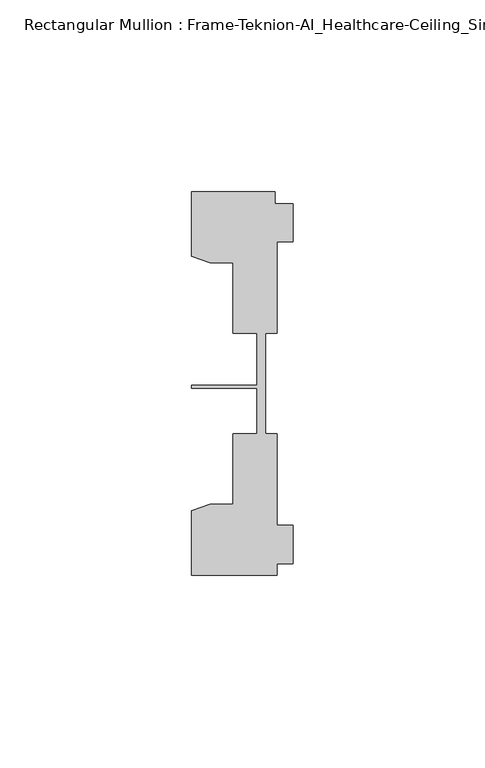
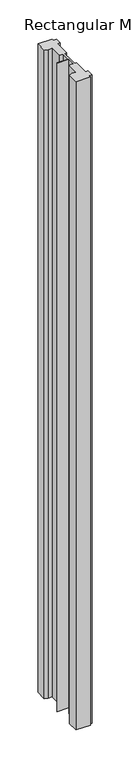
"""IFC4 building model written with IfcOpenShell, lengths in millimetres: member geometry, Rectangular Mullion : Frame-Teknion-AI_Healthcare-Ceiling_Single_Channel."""

from ifc_helpers import new_model, si_unit, frame, origin, place, context, project, spatial, polyline, outline, extrude, source, transform, mapped, element, save


def rectangular_mullion_frame_teknion_ai_healthcare_ceiling_4a35af2c(model_context):
    return source(origin(), model_context, "Body", "SweptSolid", [
        extrude(outline(polyline([(-26.4921999, 34.0201677), (-26.4921999, 50.8315128), (-4.7752002, 50.8315128), (-4.7752002, 47.782071), (0.0, 47.782071), (0.0, 37.7820716), (-4.2672007, 37.7820716), (-4.2672007, 13.9110722), (-7.1647766, 13.9110722), (-7.1647766, 0.0814804), (-7.1647766, -12.2509301), (-4.2672007, -12.2509301), (-4.2672007, -36.1219249), (0.0, -36.1219249), (0.0, -46.1219322), (-4.2672007, -46.1219322), (-4.2672007, -49.1699293), (-26.4921999, -49.1699293), (-26.4921999, -32.3600207), (-21.6625199, -30.6279561), (-15.6737764, -30.6279561), (-15.6737764, -12.2509301), (-9.4507761, -12.2509301), (-9.4507761, -0.4036528), (-26.4921999, -0.4036528), (-26.4921999, 0.4036528), (-9.4507761, 0.4036528), (-9.4507761, 13.9110722), (-15.6737764, 13.9110722), (-15.6737764, 32.2880982), (-21.6625199, 32.2880982), (-26.4921999, 34.0201677)])), frame((0.0, 0.0, -1041.4), z_axis=(0.0, 0.0, 1.0), x_axis=(1.0, 0.0, 0.0)), (0.0, 0.0, 1.0), 1041.4),
    ])


if __name__ == "__main__":
    model = new_model("IFC4")
    model_context = context("Model", 3, world=origin())
    ifc_project = project(units=[si_unit("LENGTHUNIT", "METRE", prefix="MILLI")], contexts=[model_context])
    site = spatial("IfcSite", under=ifc_project)
    building = spatial("IfcBuilding", under=site)
    placement = place(None, origin())
    rectangular_mullion_frame_teknion_ai_healthcare_ceiling_shape = rectangular_mullion_frame_teknion_ai_healthcare_ceiling_4a35af2c(model_context)
    element("IfcMember", 1, ObjectType="Rectangular Mullion : Frame-Teknion-AI_Healthcare-Ceiling_Single_Channel", at=placement, inside=building, context=model_context, shape_type="MappedRepresentation", body=[
        mapped(rectangular_mullion_frame_teknion_ai_healthcare_ceiling_shape, transform((0.0, 0.0, 0.0), x_axis=(1.0, 0.0, 0.0), y_axis=(0.0, 1.0, 0.0), z_axis=(0.0, 0.0, 1.0))),
    ])
    save(model, "model.ifc")
